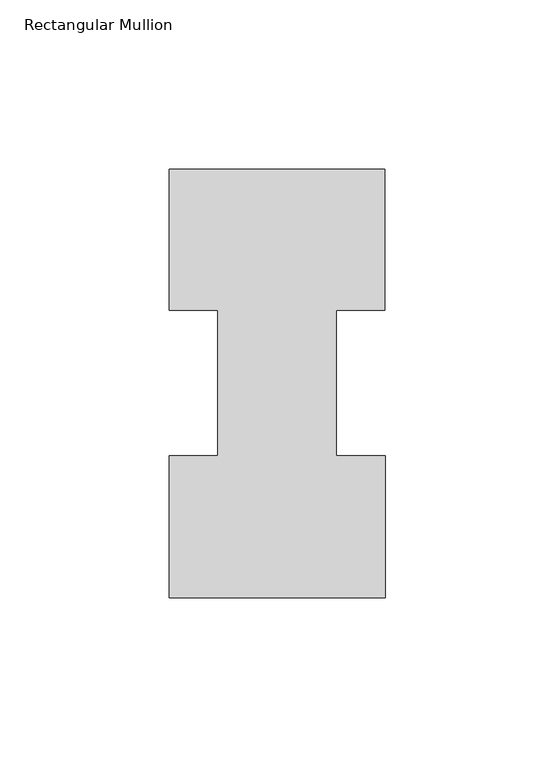
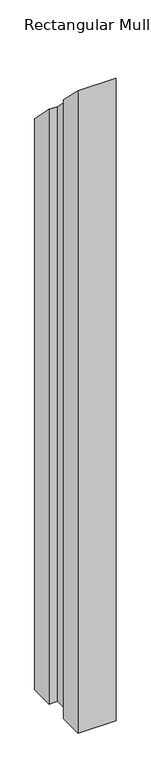
"""IFC4 building model written with IfcOpenShell, lengths in millimetres: member geometry, Rectangular Mullion."""

import ifcopenshell
import ifcopenshell.guid

model = None  # the IFC model being written
_history = None  # IfcOwnerHistory: only IFC2X3 demands one
_inside = {}  # id of a spatial element -> (the spatial element, [elements in it])
_under = {}  # id of a project, library or spatial element -> (it, [spatial elements below it])
_declared = {}  # id of a project -> (the project, [libraries it declares])
_typed = {}  # id of a type object -> (the type object, [elements of that type])
_made_of = {}  # id of a material, layer set ... -> (it, [elements and type objects made of it])


def new_model(schema):
    """Start an empty IFC model of exactly this schema.

    Asked for "IFC4X3", IfcOpenShell would pick the latest addendum, in which some entities
    have other attributes; the version numbers below select the first issue.
    IFC2X3 requires an IfcOwnerHistory on every rooted entity: one is made here for all.
    """
    global model, _history
    if schema == "IFC4X3":
        model = ifcopenshell.file(schema_version=(4, 3, 0, 0))
    else:
        model = ifcopenshell.file(schema=schema)
    _inside.clear()
    _under.clear()
    _declared.clear()
    _typed.clear()
    _made_of.clear()
    _history = None
    if model.schema == "IFC2X3":
        org = make("IfcOrganization", Name="unknown")
        user = make(
            "IfcPersonAndOrganization",
            ThePerson=make("IfcPerson", FamilyName="unknown"),
            TheOrganization=org,
        )
        app = make(
            "IfcApplication",
            ApplicationDeveloper=org,
            Version="unknown",
            ApplicationFullName="unknown",
            ApplicationIdentifier="unknown",
        )
        _history = make(
            "IfcOwnerHistory",
            OwningUser=user,
            OwningApplication=app,
            ChangeAction="ADDED",
            CreationDate=0,
        )
    return model


def make(cls, **values):
    """One entity of the class cls with the attributes given. An attribute that is None is left unset."""
    return model.create_entity(
        cls, **{name: value for name, value in values.items() if value is not None}
    )


def rooted(cls, **values):
    """An entity with a GlobalId (a new one), such as an element, a storey or a relation."""
    return make(cls, GlobalId=ifcopenshell.guid.new(), OwnerHistory=_history, **values)


def si_unit(unit_type, name, prefix=None):
    """IfcSIUnit, for example si_unit("LENGTHUNIT", "METRE", prefix="MILLI")."""
    return make("IfcSIUnit", UnitType=unit_type, Prefix=prefix, Name=name)


def assignment(units):
    """IfcUnitAssignment: the units of a project."""
    return None if units is None else make("IfcUnitAssignment", Units=units)


def point(xyz):
    """IfcCartesianPoint."""
    return None if xyz is None else make("IfcCartesianPoint", Coordinates=xyz)


def direction(xyz):
    """IfcDirection."""
    return None if xyz is None else make("IfcDirection", DirectionRatios=xyz)


def frame(location, z_axis=None, x_axis=None):
    """IfcAxis2Placement3D, a coordinate frame: its origin and axes. An axis left out is left unset."""
    return make(
        "IfcAxis2Placement3D",
        Location=point(location),
        Axis=direction(z_axis),
        RefDirection=direction(x_axis),
    )


def origin():
    """The frame at (0, 0, 0) with its axes left unset."""
    return frame((0.0, 0.0, 0.0))


def place(relative_to, where):
    """IfcLocalPlacement: puts the frame where relative to a parent placement (None: the world)."""
    return make(
        "IfcLocalPlacement", PlacementRelTo=relative_to, RelativePlacement=where
    )


def context(
    kind, dimensions, precision=None, world=None, true_north=None, identifier=None
):
    """IfcGeometricRepresentationContext, for example the 3D "Model" context."""
    return make(
        "IfcGeometricRepresentationContext",
        ContextIdentifier=identifier,
        ContextType=kind,
        CoordinateSpaceDimension=dimensions,
        Precision=precision,
        WorldCoordinateSystem=world,
        TrueNorth=true_north,
    )


def project(units=None, contexts=None):
    """IfcProject with its units and contexts."""
    return rooted(
        "IfcProject",
        Name="project",
        RepresentationContexts=contexts,
        UnitsInContext=assignment(units),
    )


def spatial(cls, under=None, at=None, **own):
    """A site, building, storey or space (cls), placed at a placement, below another one or the project."""
    s = rooted(cls, ObjectPlacement=at, **own)
    if under is not None:
        _under.setdefault(under.id(), (under, []))[1].append(s)
    return s


def faces_of(points, faces, orient=None, outer=None):
    """IfcFace entities. A face is a list of loops; a loop is a list of indices into points, from 0.

    orient and outer hold one flag for each loop. By default every Orientation is true, the
    first loop of a face is its IfcFaceOuterBound and the others are IfcFaceBound.
    """
    made = []
    for i, loops in enumerate(faces):
        bounds = []
        for j, loop in enumerate(loops):
            is_outer = j == 0 if outer is None else outer[i][j]
            bounds.append(
                make(
                    "IfcFaceOuterBound" if is_outer else "IfcFaceBound",
                    Bound=make("IfcPolyLoop", Polygon=[points[k] for k in loop]),
                    Orientation=True if orient is None else orient[i][j],
                )
            )
        made.append(make("IfcFace", Bounds=bounds))
    return made


def faceted_brep(points, faces, orient=None, outer=None, voids=None):
    """IfcFacetedBrep: a solid bounded by flat faces; with voids (closed shells), ...WithVoids."""
    shared = [point(p) for p in points]
    hull = make("IfcClosedShell", CfsFaces=faces_of(shared, faces, orient, outer))
    if voids is None:
        return make("IfcFacetedBrep", Outer=hull)
    return make(
        "IfcFacetedBrepWithVoids",
        Outer=hull,
        Voids=[
            make(cls, CfsFaces=faces_of(shared, fs, o, b)) for cls, fs, o, b in voids
        ],
    )


def shape(context_of_items, identifier, shape_type, items):
    """IfcShapeRepresentation: the items that make up one representation, for example the "Body"."""
    return make(
        "IfcShapeRepresentation",
        ContextOfItems=context_of_items,
        RepresentationIdentifier=identifier,
        RepresentationType=shape_type,
        Items=items,
    )


def source(mapping_origin, context_of_items, identifier, shape_type, items):
    """IfcRepresentationMap: a shape defined once, which mapped items show again and again."""
    return make(
        "IfcRepresentationMap",
        MappingOrigin=mapping_origin,
        MappedRepresentation=shape(context_of_items, identifier, shape_type, items),
    )


def transform(
    local_origin,
    x_axis=None,
    y_axis=None,
    z_axis=None,
    scale=None,
    scale2=None,
    scale3=None,
    uniform=True,
):
    """IfcCartesianTransformationOperator3D, or its non-uniform kind. x_axis, y_axis, z_axis: its Axis1, 2, 3."""
    if uniform:
        return make(
            "IfcCartesianTransformationOperator3D",
            Axis1=direction(x_axis),
            Axis2=direction(y_axis),
            LocalOrigin=point(local_origin),
            Scale=scale,
            Axis3=direction(z_axis),
        )
    return make(
        "IfcCartesianTransformationOperator3DnonUniform",
        Axis1=direction(x_axis),
        Axis2=direction(y_axis),
        LocalOrigin=point(local_origin),
        Scale=scale,
        Axis3=direction(z_axis),
        Scale2=scale2,
        Scale3=scale3,
    )


def mapped(mapping_source, mapping_target):
    """IfcMappedItem: shows the shape of a source again, moved by a transform."""
    return make(
        "IfcMappedItem", MappingSource=mapping_source, MappingTarget=mapping_target
    )


def made_of(thing, what):
    """Note that an element or type object is made of a material, layer set ...; save() writes the relation."""
    if what is not None:
        _made_of.setdefault(what.id(), (what, []))[1].append(thing)
    return thing


def element(
    cls,
    number,
    at=None,
    inside=None,
    cuts=None,
    type_object=None,
    material=None,
    context=None,
    identifier="Body",
    shape_type=None,
    held_by="IfcProductDefinitionShape",
    body=None,
    shapes=None,
    **own,
):
    """One element of the class cls, such as IfcWall. Its Tag is "e" and its number.

    at: its placement. inside: the storey or other place that contains it. cuts: it is an
    opening in that element (IfcRelVoidsElement). A single representation is given by context,
    identifier, shape_type and body (its items); several are given by shapes. held_by: the class
    of the entity that holds the representations. save() writes the other relations.
    """
    e = rooted(cls, Tag="e%d" % number, ObjectPlacement=at, **own)
    if body is not None:
        shapes = [shape(context, identifier, shape_type, body)]
    if shapes is not None:
        e.Representation = make(held_by, Representations=shapes)
    if inside is not None:
        _inside.setdefault(inside.id(), (inside, []))[1].append(e)
    if cuts is not None:
        rooted(
            "IfcRelVoidsElement", RelatingBuildingElement=cuts, RelatedOpeningElement=e
        )
    if type_object is not None:
        _typed.setdefault(type_object.id(), (type_object, []))[1].append(e)
    return made_of(e, material)


def aggregate(whole, parts):
    """IfcRelAggregates: a whole, such as a stair, and the parts it consists of."""
    return rooted("IfcRelAggregates", RelatingObject=whole, RelatedObjects=parts)


def save(model, path):
    """Write the relations noted so far, then the file.

    IfcRelAggregates (storeys below a building ...), IfcRelContainedInSpatialStructure (elements
    in a storey), IfcRelDefinesByType, IfcRelAssociatesMaterial and IfcRelDeclares: one each for
    every whole, place, type object, material and project.
    """
    for whole, parts in _under.values():
        aggregate(whole, parts)
    for where, things in _inside.values():
        rooted(
            "IfcRelContainedInSpatialStructure",
            RelatedElements=things,
            RelatingStructure=where,
        )
    for kind, things in _typed.values():
        rooted("IfcRelDefinesByType", RelatedObjects=things, RelatingType=kind)
    for what, things in _made_of.values():
        rooted("IfcRelAssociatesMaterial", RelatedObjects=things, RelatingMaterial=what)
    for by, libraries in _declared.values():
        rooted("IfcRelDeclares", RelatingContext=by, RelatedDefinitions=libraries)
    model.write(path)


def rectangular_mullion_ca3aa591(model_context):
    return source(origin(), model_context, "Body", "Brep", [
        faceted_brep([(-49.21504, 85.1296875, -1142.9987039), (-63.5, 85.1296875, -1142.9987039), (-63.5, 126.7349164, -1142.9987039), (0.0, 126.7349164, -1142.9987039), (0.0, 85.1296875, -1142.9987039), (-14.2748, 85.1296875, -1142.9987039), (-14.2748, 42.2799164, -1142.9987039), (0.2408142, 42.2799164, -1142.9987039), (0.2408142, 0.2429164, -1142.9987039), (-63.5, 0.2429164, -1142.9987039), (-63.5, 42.2799164, -1142.9987039), (-49.21504, 42.2799164, -1142.9987039), (-49.21504, 42.2799164, -42.2799164), (-49.21504, 85.1296875, -85.1296875), (-63.5, 42.2799164, -42.2799164), (-63.5, 0.2429164, -0.2429164), (0.2408142, 0.2429164, -0.2429164), (0.2408142, 42.2799164, -42.2799164), (-14.2748, 42.2799164, -42.2799164), (-14.2748, 85.1296875, -85.1296875), (0.0, 85.1296875, -85.1296875), (0.0, 126.7349164, -126.7349164), (-63.5, 126.7349164, -126.7349164), (-63.5, 85.1296875, -85.1296875)], [[[0, 1, 2, 3, 4, 5, 6, 7, 8, 9, 10, 11]], [[12, 13, 0, 11]], [[14, 12, 11, 10]], [[15, 14, 10, 9]], [[16, 15, 9, 8]], [[17, 16, 8, 7]], [[18, 17, 7, 6]], [[19, 18, 6, 5]], [[20, 19, 5, 4]], [[21, 20, 4, 3]], [[22, 21, 3, 2]], [[23, 22, 2, 1]], [[13, 23, 1, 0]], [[13, 12, 14, 15, 16, 17, 18, 19, 20, 21, 22, 23]]]),
    ])


if __name__ == "__main__":
    model = new_model("IFC4")
    model_context = context("Model", 3, world=origin())
    ifc_project = project(units=[si_unit("LENGTHUNIT", "METRE", prefix="MILLI")], contexts=[model_context])
    site = spatial("IfcSite", under=ifc_project)
    building = spatial("IfcBuilding", under=site)
    placement = place(None, origin())
    rectangular_mullion_shape = rectangular_mullion_ca3aa591(model_context)
    element("IfcMember", 1, ObjectType="Rectangular Mullion", at=placement, inside=building, context=model_context, shape_type="MappedRepresentation", body=[
        mapped(rectangular_mullion_shape, transform((0.0, 0.0, 0.0), x_axis=(1.0, 0.0, 0.0), y_axis=(0.0, 1.0, 0.0), z_axis=(0.0, 0.0, 1.0))),
    ])
    save(model, "model.ifc")
